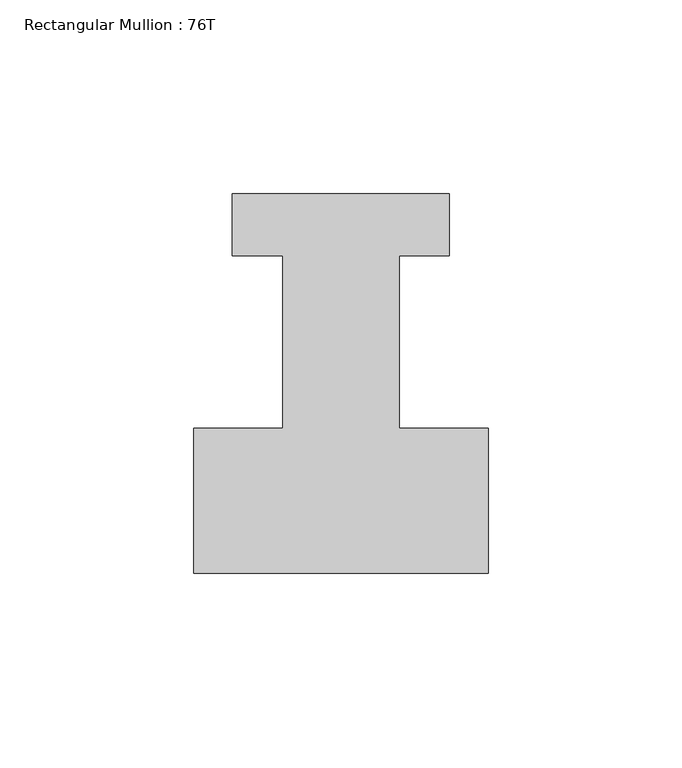
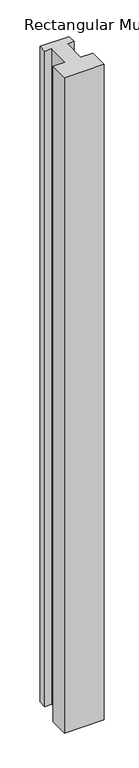
"""IFC4 building model written with IfcOpenShell, lengths in millimetres: member geometry, Rectangular Mullion : 76T."""

from ifc_helpers import new_model, si_unit, frame, origin, place, context, project, spatial, polyline, outline, extrude, source, transform, mapped, element, save


def rectangular_mullion_76t_89abe639(model_context):
    return source(origin(), model_context, "Body", "SweptSolid", [
        extrude(outline(polyline([(38.0, -38.0), (-38.0, -38.0), (-38.0, -0.5), (-15.0, -0.5), (-15.0, 44.0), (-28.0, 44.0), (-28.0, 60.0), (28.0, 60.0), (28.0, 44.0), (15.0, 44.0), (15.0, -0.5), (38.0, -0.5), (38.0, -38.0)])), frame((0.0, 0.0, -1322.465707), z_axis=(0.0, 0.0, 1.0), x_axis=(1.0, 0.0, 0.0)), (0.0, 0.0, 1.0), 1322.465707),
    ])


if __name__ == "__main__":
    model = new_model("IFC4")
    model_context = context("Model", 3, world=origin())
    ifc_project = project(units=[si_unit("LENGTHUNIT", "METRE", prefix="MILLI")], contexts=[model_context])
    site = spatial("IfcSite", under=ifc_project)
    building = spatial("IfcBuilding", under=site)
    placement = place(None, origin())
    rectangular_mullion_76t_shape = rectangular_mullion_76t_89abe639(model_context)
    element("IfcMember", 1, ObjectType="Rectangular Mullion : 76T", at=placement, inside=building, context=model_context, shape_type="MappedRepresentation", body=[
        mapped(rectangular_mullion_76t_shape, transform((0.0, 0.0, 0.0), x_axis=(1.0, 0.0, 0.0), y_axis=(0.0, 1.0, 0.0), z_axis=(0.0, 0.0, 1.0))),
    ])
    save(model, "model.ifc")
